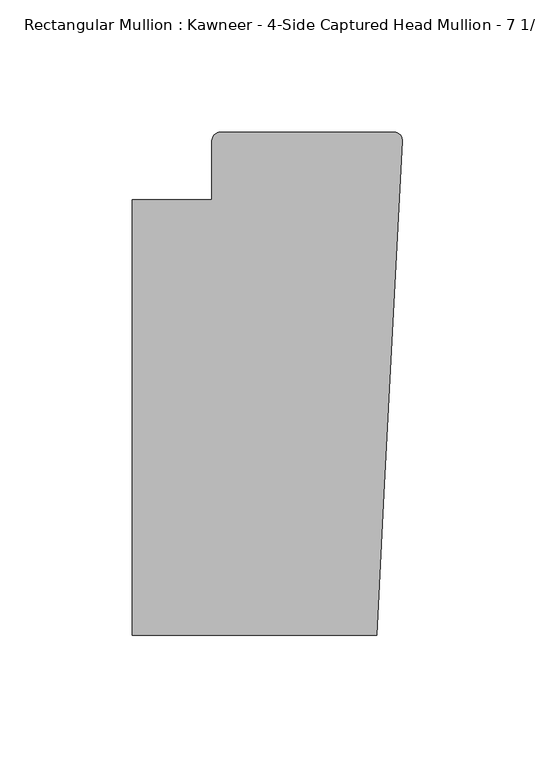
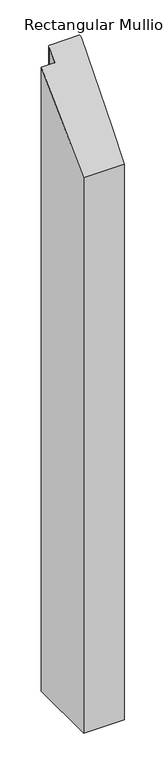
"""IFC4 building model written with IfcOpenShell, lengths in millimetres: member geometry."""

from ifc_helpers import new_model, si_unit, frame, origin, place, context, project, spatial, circle_curve, ellipse_curve, source, transform, mapped, element, save
from ifc_brep_helpers import plane_surface, cylinder_surface, advanced_brep


def member_cbd3ac46(model_context):
    return source(origin(), model_context, "Body", "AdvancedBrep", [
        advanced_brep(
        [(-9.7860662, -151.892, -1475.6865391), (-102.08978, -151.892, -1475.6865391), (-102.08978, 12.7, -1475.6865391), (-71.9739395, 12.7, -1475.6865391), (-71.9739395, 34.9099677, -1475.6865391), (-68.798975, 38.0999944, -1475.6865391), (-3.175, 38.0999944, -1475.6865391), (-0.006635, 34.7198406, -1475.6865391), (-6.9873394, -98.4891117, -1475.6865391), (-6.9873394, -98.4891117, -98.4891117), (-9.7860662, -151.892, -151.892), (-0.0061551, 34.7198154, 34.7198406), (-3.175, 38.0999944, 38.0999944), (-68.798975, 38.0999944, 38.0999944), (-71.9739395, 34.9099677, 34.9099677), (-71.9739395, 12.7, 12.7), (-102.08978, 12.7, 12.7), (-102.08978, -151.892, -151.892)],
        [
            (0, 1),
            (1, 2),
            (2, 3),
            (3, 4),
            (4, 5, circle_curve(frame((-68.798975, 34.9249944, -1475.6865391), z_axis=(0.0, 0.0, -1.0), x_axis=(-0.9999888001458095, -0.004732819766726053, 0.0)), 3.175)),
            (5, 6),
            (6, 7, circle_curve(frame((-3.175, 34.9249944, -1475.6865391), z_axis=(0.0, 0.0, -1.0), x_axis=(0.0, 1.0, 0.0)), 3.175)),
            (7, 8),
            (8, 0),
            (9, 10),
            (10, 0),
            (8, 9),
            (11, 9),
            (7, 11),
            (12, 11, ellipse_curve(frame((-3.175, 34.9249944, 34.9249944), z_axis=(0.0, 0.7071067811865481, -0.707106781186547), x_axis=(0.0, 0.7071067811865469, 0.707106781186548)), 4.4901281, 3.175)),
            (6, 12),
            (13, 12),
            (5, 13),
            (14, 13, ellipse_curve(frame((-68.798975, 34.9249944, 34.9249944), z_axis=(0.0, 0.7071067811865481, -0.707106781186547), x_axis=(0.0, 0.7071067811865469, 0.707106781186548)), 4.4901281, 3.175)),
            (4, 14),
            (15, 14),
            (3, 15),
            (16, 15),
            (2, 16),
            (17, 16),
            (1, 17),
            (10, 17),
        ],
        [
            plane_surface(frame((0.0, -183.0123025, -1475.6865391), z_axis=(0.0, 0.0, -1.0), x_axis=(-1.0, 0.0, 0.0))),
            plane_surface(frame((-9.7860662, -151.892, 0.0), z_axis=(0.9986295347545738, -0.052335956242944896, 0.0), x_axis=(0.0, 0.0, -1.0))),
            plane_surface(frame((-6.9873394, -98.4891117, 0.0), z_axis=(0.9986295346400468, -0.05233595842825238, 0.0), x_axis=(0.0, 0.0, -1.0))),
            cylinder_surface(frame((-3.175, 34.9249944, 0.0), z_axis=(0.0, 0.0, 1.0), x_axis=(0.0, 1.0, 0.0)), 3.175),
            plane_surface(frame((-3.175, 38.0999944, 0.0), z_axis=(0.0, 1.0, 0.0), x_axis=(0.0, 0.0, -1.0))),
            cylinder_surface(frame((-68.798975, 34.9249944, 0.0), z_axis=(0.0, 0.0, 1.0), x_axis=(-0.9999888001458095, -0.004732819766726053, 0.0)), 3.175),
            plane_surface(frame((-71.9739395, 34.9099677, 0.0), z_axis=(-1.0, 0.0, 0.0), x_axis=(0.0, 0.0, -1.0))),
            plane_surface(frame((-71.9739395, 12.7, 0.0), z_axis=(0.0, 1.0, 0.0), x_axis=(0.0, 0.0, -1.0))),
            plane_surface(frame((-102.08978, 12.7, 0.0), z_axis=(-1.0, 0.0, 0.0), x_axis=(0.0, 0.0, -1.0))),
            plane_surface(frame((-102.08978, -151.892, 0.0), z_axis=(0.0, -1.0, 0.0), x_axis=(0.0, 0.0, -1.0))),
            plane_surface(frame((304.8, 0.0, 0.0), z_axis=(0.0, -0.7071067811865481, 0.707106781186547), x_axis=(0.0, -0.707106781186547, -0.7071067811865481))),
        ],
        [
            (0, [[1, 2, 3, 4, 5, 6, 7, 8, 9]]),
            (1, [[10, 11, -9, 12]]),
            (2, [[13, -12, -8, 14]]),
            (3, [[15, -14, -7, 16]]),
            (4, [[17, -16, -6, 18]]),
            (5, [[19, -18, -5, 20]]),
            (6, [[21, -20, -4, 22]]),
            (7, [[23, -22, -3, 24]]),
            (8, [[25, -24, -2, 26]]),
            (9, [[27, -26, -1, -11]]),
            (10, [[-10, -13, -15, -17, -19, -21, -23, -25, -27]]),
        ],
    ),
    ])


if __name__ == "__main__":
    model = new_model("IFC4")
    model_context = context("Model", 3, world=origin())
    ifc_project = project(units=[si_unit("LENGTHUNIT", "METRE", prefix="MILLI")], contexts=[model_context])
    site = spatial("IfcSite", under=ifc_project)
    building = spatial("IfcBuilding", under=site)
    placement = place(None, origin())
    member_shape = member_cbd3ac46(model_context)
    element("IfcMember", 1, ObjectType="Rectangular Mullion : Kawneer - 4-Side Captured Head Mullion - 7 1/2\"", at=placement, inside=building, context=model_context, shape_type="MappedRepresentation", body=[
        mapped(member_shape, transform((0.0, 0.0, 0.0), x_axis=(1.0, 0.0, 0.0), y_axis=(0.0, 1.0, 0.0), z_axis=(0.0, 0.0, 1.0))),
    ])
    save(model, "model.ifc")
